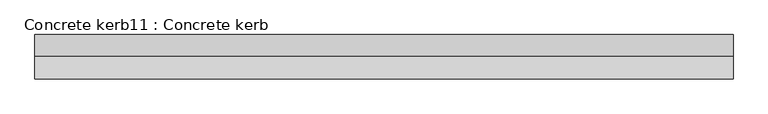
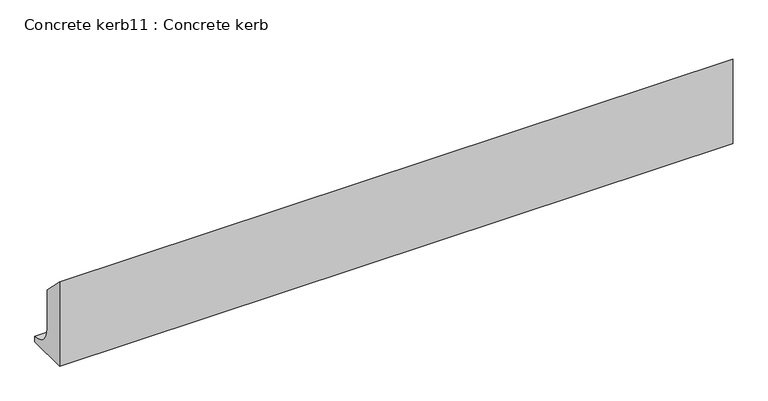
"""IFC4 building model written with IfcOpenShell, lengths in millimetres: proxy geometry, Concrete kerb11 : Concrete kerb."""

from ifc_helpers import new_model, si_unit, point, frame, frame_2d, origin, place, context, project, spatial, polyline, circle_curve, trimmed, segment, composite_curve, outline, extrude, source, transform, mapped, element, save


def concrete_kerb11_concrete_kerb_da641f26(model_context):
    return source(origin(), model_context, "Body", "SweptSolid", [
        extrude(outline(composite_curve([segment(polyline([(-26877.9293836, 297.0), (-26800.9293836, 220.0), (-26800.9293836, 75.0)]), True, "CONTINUOUS"), segment(trimmed(circle_curve(frame_2d((-26725.9293836, 75.0)), 75.0), [point((-26800.9293836, 75.0))], [point((-26725.9293836, 0.0))], True, "CARTESIAN"), True, "CONTINUOUS"), segment(polyline([(-26725.9293836, 0.0), (-26725.9293836, -20.0482875), (-26877.9293836, -20.0482875), (-26877.9293836, 297.0)]), True, "CONTINUOUS")], self_intersect=False)), frame((6904.6309284, 0.0, 0.0), z_axis=(1.0, 0.0, 0.0), x_axis=(0.0, 1.0, 0.0)), (0.0, 0.0, 1.0), 2400.0),
    ])


if __name__ == "__main__":
    model = new_model("IFC4")
    model_context = context("Model", 3, world=origin())
    ifc_project = project(units=[si_unit("LENGTHUNIT", "METRE", prefix="MILLI")], contexts=[model_context])
    site = spatial("IfcSite", under=ifc_project)
    building = spatial("IfcBuilding", under=site)
    placement = place(None, origin())
    concrete_kerb11_concrete_kerb_shape = concrete_kerb11_concrete_kerb_da641f26(model_context)
    element("IfcBuildingElementProxy", 1, Name="Concrete kerb11 : Concrete kerb", ObjectType="Concrete kerb11 : Concrete kerb", at=placement, inside=building, context=model_context, shape_type="MappedRepresentation", body=[
        mapped(concrete_kerb11_concrete_kerb_shape, transform((0.0, 0.0, 0.0), x_axis=(1.0, 0.0, 0.0), y_axis=(0.0, 1.0, 0.0), z_axis=(0.0, 0.0, 1.0))),
    ])
    save(model, "model.ifc")
